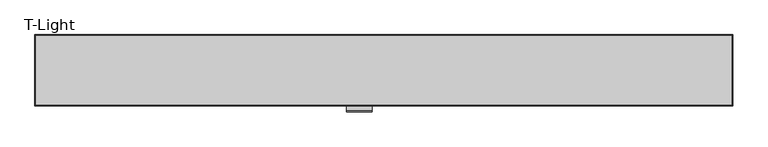
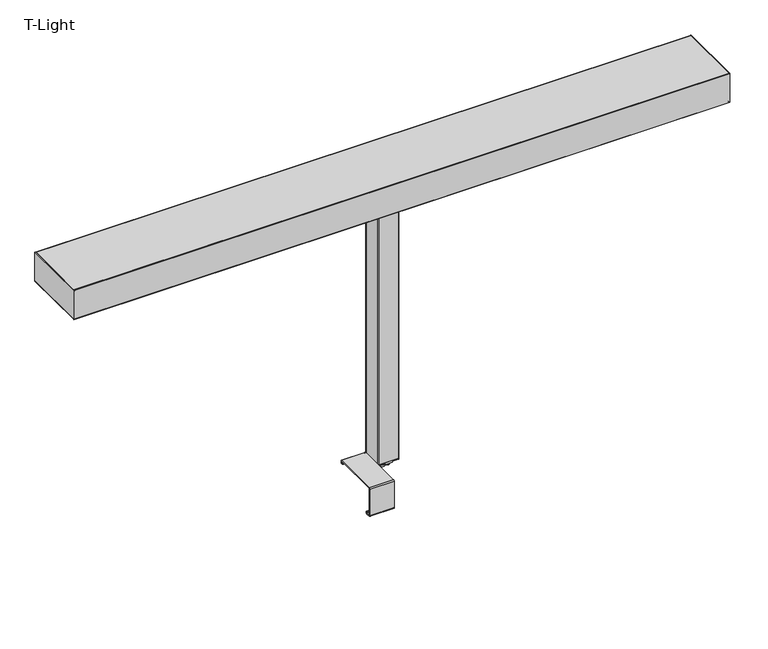
"""IFC4 building model written with IfcOpenShell, lengths in millimetres: furniture geometry, T-Light."""

from ifc_helpers import new_model, si_unit, frame, origin, place, context, project, spatial, polyline, circle_curve, ellipse_curve, outline, extrude, source, transform, mapped, element, save
from ifc_brep_helpers import plane_surface, cylinder_surface, revolved_surface, advanced_brep


def t_light_89df9414(model_context):
    return source(origin(), model_context, "Body", "SolidModel", [
        advanced_brep(
        [(-20.218, 22.25, 1259.9729473), (-22.25, 20.218, 1259.9729473), (-22.25, -20.218, 1259.9729473), (-20.218, -22.25, 1259.9729473), (20.2185412, -22.25, 1259.9729473), (22.25, -20.2185412, 1259.9729473), (22.25, 20.218, 1259.9729473), (20.218, 22.25, 1259.9729473), (-20.218, 22.25, 675.6400097), (20.218, 22.25, 675.6400097), (22.25, 20.218, 675.6400097), (22.25, -20.2185412, 675.6400097), (20.2185412, -22.25, 675.6400097), (-20.218, -22.25, 675.6400097), (-22.25, -20.218, 675.6400097), (-22.25, 20.218, 675.6400097)],
        [
            (0, 1, circle_curve(frame((-20.218, 20.218, 1259.9729473), z_axis=(0.0, 0.0, 1.0), x_axis=(-1.0, 0.0, 0.0)), 2.032)),
            (1, 2),
            (2, 3, circle_curve(frame((-20.218, -20.218, 1259.9729473), z_axis=(0.0, 0.0, 1.0), x_axis=(-1.0, 0.0, 0.0)), 2.032)),
            (3, 4),
            (4, 5, circle_curve(frame((20.2185412, -20.2185412, 1259.9729473), z_axis=(0.0, 0.0, 1.0), x_axis=(-1.0, 0.0, 0.0)), 2.0314588)),
            (5, 6),
            (6, 7, circle_curve(frame((20.218, 20.218, 1259.9729473), z_axis=(0.0, 0.0, 1.0), x_axis=(-1.0, 0.0, 0.0)), 2.032)),
            (7, 0),
            (8, 9),
            (9, 10, circle_curve(frame((20.218, 20.218, 675.6400097), z_axis=(0.0, 0.0, -1.0), x_axis=(-1.0, 0.0, 0.0)), 2.032)),
            (10, 11),
            (11, 12, circle_curve(frame((20.2185412, -20.2185412, 675.6400097), z_axis=(0.0, 0.0, -1.0), x_axis=(-1.0, 0.0, 0.0)), 2.0314588)),
            (12, 13),
            (13, 14, circle_curve(frame((-20.218, -20.218, 675.6400097), z_axis=(0.0, 0.0, -1.0), x_axis=(-1.0, 0.0, 0.0)), 2.032)),
            (14, 15),
            (15, 8, circle_curve(frame((-20.218, 20.218, 675.6400097), z_axis=(0.0, 0.0, -1.0), x_axis=(-1.0, 0.0, 0.0)), 2.032)),
            (0, 8),
            (15, 1),
            (14, 2),
            (13, 3),
            (12, 4),
            (11, 5),
            (10, 6),
            (9, 7),
        ],
        [
            plane_surface(frame((-22.25, 20.218, 1259.9729473), z_axis=(0.0, 0.0, 1.0), x_axis=(0.0, -1.0, 0.0))),
            plane_surface(frame((-22.25, 20.218, 675.6400097), z_axis=(0.0, 0.0, -1.0), x_axis=(0.0, 1.0, 0.0))),
            cylinder_surface(frame((-20.218, 20.218, 675.6400097), z_axis=(0.0, 0.0, 1.0), x_axis=(-1.0, 0.0, 0.0)), 2.032),
            plane_surface(frame((-22.25, 20.218, 1259.9729473), z_axis=(-1.0, 0.0, 0.0), x_axis=(0.0, 0.0, -1.0))),
            cylinder_surface(frame((-20.218, -20.218, 675.6400097), z_axis=(0.0, 0.0, 1.0), x_axis=(-1.0, 0.0, 0.0)), 2.032),
            plane_surface(frame((-20.218, -22.25, 1259.9729473), z_axis=(0.0, -1.0, 0.0), x_axis=(0.0, 0.0, -1.0))),
            cylinder_surface(frame((20.2185412, -20.2185412, 675.6400097), z_axis=(0.0, 0.0, 1.0), x_axis=(-1.0, 0.0, 0.0)), 2.0314588),
            plane_surface(frame((22.25, -20.2185412, 1259.9729473), z_axis=(1.0, 0.0, 0.0), x_axis=(0.0, 0.0, -1.0))),
            cylinder_surface(frame((20.218, 20.218, 675.6400097), z_axis=(0.0, 0.0, 1.0), x_axis=(-1.0, 0.0, 0.0)), 2.032),
            plane_surface(frame((20.218, 22.25, 1259.9729473), z_axis=(0.0, 1.0, 0.0), x_axis=(0.0, 0.0, -1.0))),
        ],
        [
            (0, [[1, 2, 3, 4, 5, 6, 7, 8]]),
            (1, [[9, 10, 11, 12, 13, 14, 15, 16]]),
            (2, [[-1, 17, -16, 18]]),
            (3, [[-2, -18, -15, 19]]),
            (4, [[-3, -19, -14, 20]]),
            (5, [[-4, -20, -13, 21]]),
            (6, [[-5, -21, -12, 22]]),
            (7, [[-6, -22, -11, 23]]),
            (8, [[-7, -23, -10, 24]]),
            (9, [[-8, -24, -9, -17]]),
        ],
    ),
        advanced_brep(
        [(-73.5503979, -81.7499974, 675.7759117), (-73.5503979, -79.6049339, 677.9209751), (-73.5503979, 20.0143868, 677.9209751), (-73.5503979, 22.25, 675.6853619), (-73.5503979, 22.25, 673.3606011), (-73.5503979, 20.710383, 671.8209841), (-73.5503979, 16.9625859, 671.8209841), (-73.5503979, 16.9556727, 673.3210175), (-73.5503979, 20.7500007, 673.3559921), (-73.5503979, 20.7500007, 675.5320436), (-73.5503979, 19.8610503, 676.420994), (-73.5503979, -79.4994453, 676.420994), (-73.5503979, -80.2499981, 675.6704412), (-73.5503979, -80.2499981, 617.2034968), (-73.5503979, -79.4675238, 616.4210226), (-73.5503979, -71.3051217, 616.4210226), (-73.5503979, -70.4999982, 617.2261461), (-73.5503979, -70.4999982, 619.1856678), (-73.5503979, -68.9999989, 619.1856678), (-73.5503979, -68.9999989, 617.2037031), (-73.5503979, -71.2827332, 614.9209688), (-73.5503979, -79.4486345, 614.9209688), (-73.5503979, -81.7499974, 617.2223316), (-22.7503987, -81.7499974, 675.7759117), (-22.7503987, -81.7499974, 617.2223316), (-22.7503987, -79.4486345, 614.9209688), (-22.7503987, -71.2827332, 614.9209688), (-22.7503987, -68.9999989, 617.2037031), (-22.7503987, -68.9999989, 619.1856678), (-22.7503987, -70.4999982, 619.1856678), (-22.7503987, -70.4999982, 617.2261461), (-22.7503987, -71.3051217, 616.4210226), (-22.7503987, -79.4675238, 616.4210226), (-22.7503987, -80.2499981, 617.2034968), (-22.7503987, -80.2499981, 675.6704412), (-22.7503987, -79.4994453, 676.420994), (-22.7503987, 19.8610503, 676.420994), (-22.7503987, 20.7500007, 675.5320436), (-22.7503987, 20.7500007, 673.3559921), (-22.7503987, 16.9556727, 673.3210175), (-22.7503987, 16.9625859, 671.8209841), (-22.7503987, 20.710383, 671.8209841), (-22.7503987, 22.25, 673.3606011), (-22.7503987, 22.25, 675.6853619), (-22.7503987, 20.0143868, 677.9209751), (-22.7503987, -79.6049339, 677.9209751)],
        [
            (0, 1, circle_curve(frame((-73.5503979, -79.6049339, 675.7759117), z_axis=(-1.0, 0.0, 0.0), x_axis=(0.0, -1.0, 0.0)), 2.1450634)),
            (1, 2),
            (2, 3, circle_curve(frame((-73.5503979, 20.0143868, 675.6853619), z_axis=(-1.0, 0.0, 0.0), x_axis=(0.0, -1.0, 0.0)), 2.2356132)),
            (3, 4),
            (4, 5, circle_curve(frame((-73.5503979, 20.710383, 673.3606011), z_axis=(-1.0, 0.0, 0.0), x_axis=(0.0, -1.0, 0.0)), 1.539617)),
            (5, 6),
            (6, 7, circle_curve(frame((-73.5503979, 16.9625859, 672.5710167), z_axis=(-1.0, 0.0, 0.0), x_axis=(0.0, -1.0, 0.0)), 0.7500326)),
            (7, 8),
            (8, 9),
            (9, 10, circle_curve(frame((-73.5503979, 19.8610503, 675.5320436), z_axis=(1.0, 0.0, 0.0), x_axis=(0.0, -1.0, 0.0)), 0.8889504)),
            (10, 11),
            (11, 12, circle_curve(frame((-73.5503979, -79.4994453, 675.6704412), z_axis=(1.0, 0.0, 0.0), x_axis=(0.0, -1.0, 0.0)), 0.7505528)),
            (12, 13),
            (13, 14, circle_curve(frame((-73.5503979, -79.4675238, 617.2034968), z_axis=(1.0, 0.0, 0.0), x_axis=(0.0, -1.0, 0.0)), 0.7824742)),
            (14, 15),
            (15, 16, circle_curve(frame((-73.5503979, -71.3051217, 617.2261461), z_axis=(1.0, 0.0, 0.0), x_axis=(0.0, -1.0, 0.0)), 0.8051235)),
            (16, 17),
            (17, 18, circle_curve(frame((-73.5503979, -69.7499985, 619.1856678), z_axis=(-1.0, 0.0, 0.0), x_axis=(0.0, -1.0, 0.0)), 0.7499996)),
            (18, 19),
            (19, 20, circle_curve(frame((-73.5503979, -71.2827332, 617.2037031), z_axis=(-1.0, 0.0, 0.0), x_axis=(0.0, -1.0, 0.0)), 2.2827343)),
            (20, 21),
            (21, 22, circle_curve(frame((-73.5503979, -79.4486345, 617.2223316), z_axis=(-1.0, 0.0, 0.0), x_axis=(0.0, -1.0, 0.0)), 2.3013628)),
            (22, 0),
            (23, 24),
            (24, 25, circle_curve(frame((-22.7503987, -79.4486345, 617.2223316), z_axis=(1.0, 0.0, 0.0), x_axis=(0.0, -1.0, 0.0)), 2.3013628)),
            (25, 26),
            (26, 27, circle_curve(frame((-22.7503987, -71.2827332, 617.2037031), z_axis=(1.0, 0.0, 0.0), x_axis=(0.0, -1.0, 0.0)), 2.2827343)),
            (27, 28),
            (28, 29, circle_curve(frame((-22.7503987, -69.7499985, 619.1856678), z_axis=(1.0, 0.0, 0.0), x_axis=(0.0, -1.0, 0.0)), 0.7499996)),
            (29, 30),
            (30, 31, circle_curve(frame((-22.7503987, -71.3051217, 617.2261461), z_axis=(-1.0, 0.0, 0.0), x_axis=(0.0, -1.0, 0.0)), 0.8051235)),
            (31, 32),
            (32, 33, circle_curve(frame((-22.7503987, -79.4675238, 617.2034968), z_axis=(-1.0, 0.0, 0.0), x_axis=(0.0, -1.0, 0.0)), 0.7824742)),
            (33, 34),
            (34, 35, circle_curve(frame((-22.7503987, -79.4994453, 675.6704412), z_axis=(-1.0, 0.0, 0.0), x_axis=(0.0, -1.0, 0.0)), 0.7505528)),
            (35, 36),
            (36, 37, circle_curve(frame((-22.7503987, 19.8610503, 675.5320436), z_axis=(-1.0, 0.0, 0.0), x_axis=(0.0, -1.0, 0.0)), 0.8889504)),
            (37, 38),
            (38, 39),
            (39, 40, circle_curve(frame((-22.7503987, 16.9625859, 672.5710167), z_axis=(1.0, 0.0, 0.0), x_axis=(0.0, -1.0, 0.0)), 0.7500326)),
            (40, 41),
            (41, 42, circle_curve(frame((-22.7503987, 20.710383, 673.3606011), z_axis=(1.0, 0.0, 0.0), x_axis=(0.0, -1.0, 0.0)), 1.539617)),
            (42, 43),
            (43, 44, circle_curve(frame((-22.7503987, 20.0143868, 675.6853619), z_axis=(1.0, 0.0, 0.0), x_axis=(0.0, -1.0, 0.0)), 2.2356132)),
            (44, 45),
            (45, 23, circle_curve(frame((-22.7503987, -79.6049339, 675.7759117), z_axis=(1.0, 0.0, 0.0), x_axis=(0.0, -1.0, 0.0)), 2.1450634)),
            (0, 23),
            (45, 1),
            (44, 2),
            (43, 3),
            (42, 4),
            (41, 5),
            (40, 6),
            (39, 7),
            (38, 8),
            (37, 9),
            (36, 10),
            (35, 11),
            (34, 12),
            (33, 13),
            (32, 14),
            (31, 15),
            (30, 16),
            (29, 17),
            (28, 18),
            (27, 19),
            (26, 20),
            (25, 21),
            (24, 22),
        ],
        [
            plane_surface(frame((-73.5503979, -81.7499974, 675.7759117), z_axis=(-1.0, 0.0, 0.0), x_axis=(0.0, 0.0, 1.0))),
            plane_surface(frame((-22.7503987, -81.7499974, 675.7759117), z_axis=(1.0, 0.0, 0.0), x_axis=(0.0, 0.0, -1.0))),
            cylinder_surface(frame((-22.7503987, -79.6049339, 675.7759117), z_axis=(-1.0, 0.0, 0.0), x_axis=(0.0, -1.0, 0.0)), 2.1450634),
            plane_surface(frame((-73.5503979, -79.6049339, 677.9209751), z_axis=(0.0, 0.0, 1.0), x_axis=(1.0, 0.0, 0.0))),
            cylinder_surface(frame((-22.7503987, 20.0143868, 675.6853619), z_axis=(-1.0, 0.0, 0.0), x_axis=(0.0, -1.0, 0.0)), 2.2356132),
            plane_surface(frame((-73.5503979, 22.25, 675.6853619), z_axis=(0.0, 1.0, 0.0), x_axis=(1.0, 0.0, 0.0))),
            cylinder_surface(frame((-22.7503987, 20.710383, 673.3606011), z_axis=(-1.0, 0.0, 0.0), x_axis=(0.0, -1.0, 0.0)), 1.539617),
            plane_surface(frame((-73.5503979, 20.710383, 671.8209841), z_axis=(0.0, 0.0, -1.0), x_axis=(1.0, 0.0, 0.0))),
            cylinder_surface(frame((-22.7503987, 16.9625859, 672.5710167), z_axis=(-1.0, 0.0, 0.0), x_axis=(0.0, -1.0, 0.0)), 0.7500326),
            plane_surface(frame((-73.5503979, 16.9556727, 673.3210175), z_axis=(0.0, -0.009217220031081209, 0.9999575205251965), x_axis=(1.0, 0.0, 0.0))),
            plane_surface(frame((-73.5503979, 20.7500007, 673.3559921), z_axis=(0.0, -1.0, 0.0), x_axis=(1.0, 0.0, 0.0))),
            revolved_surface(polyline([(-22.7503987, 18.9720999, 675.5320436), (-73.5503979, 18.9720999, 675.5320436)]), (-22.7503987, 19.8610503, 675.5320436), (1.0, 0.0, 0.0)),
            plane_surface(frame((-73.5503979, 19.8610503, 676.420994), z_axis=(0.0, 0.0, -1.0), x_axis=(1.0, 0.0, 0.0))),
            revolved_surface(polyline([(-22.7503987, -80.2499981, 675.6704412), (-73.5503979, -80.2499981, 675.6704412)]), (-22.7503987, -79.4994453, 675.6704412), (1.0, 0.0, 0.0)),
            plane_surface(frame((-73.5503979, -80.2499981, 675.6704412), z_axis=(0.0, 1.0, 0.0), x_axis=(1.0, 0.0, 0.0))),
            revolved_surface(polyline([(-22.7503987, -80.24999799999999, 617.2034968), (-73.5503979, -80.24999799999999, 617.2034968)]), (-22.7503987, -79.4675238, 617.2034968), (1.0, 0.0, 0.0)),
            plane_surface(frame((-73.5503979, -79.4675238, 616.4210226), z_axis=(0.0, 0.0, 1.0), x_axis=(1.0, 0.0, 0.0))),
            revolved_surface(polyline([(-22.7503987, -72.1102452, 617.2261461), (-73.5503979, -72.1102452, 617.2261461)]), (-22.7503987, -71.3051217, 617.2261461), (1.0, 0.0, 0.0)),
            plane_surface(frame((-73.5503979, -70.4999982, 617.2261461), z_axis=(0.0, -1.0, 0.0), x_axis=(1.0, 0.0, 0.0))),
            cylinder_surface(frame((-22.7503987, -69.7499985, 619.1856678), z_axis=(-1.0, 0.0, 0.0), x_axis=(0.0, -1.0, 0.0)), 0.7499996),
            plane_surface(frame((-73.5503979, -68.9999989, 619.1856678), z_axis=(0.0, 1.0, 0.0), x_axis=(1.0, 0.0, 0.0))),
            cylinder_surface(frame((-22.7503987, -71.2827332, 617.2037031), z_axis=(-1.0, 0.0, 0.0), x_axis=(0.0, -1.0, 0.0)), 2.2827343),
            plane_surface(frame((-73.5503979, -71.2827332, 614.9209688), z_axis=(0.0, 0.0, -1.0), x_axis=(1.0, 0.0, 0.0))),
            cylinder_surface(frame((-22.7503987, -79.4486345, 617.2223316), z_axis=(-1.0, 0.0, 0.0), x_axis=(0.0, -1.0, 0.0)), 2.3013628),
            plane_surface(frame((-73.5503979, -81.7499974, 617.2223316), z_axis=(0.0, -1.0, 0.0), x_axis=(1.0, 0.0, 0.0))),
        ],
        [
            (0, [[1, 2, 3, 4, 5, 6, 7, 8, 9, 10, 11, 12, 13, 14, 15, 16, 17, 18, 19, 20, 21, 22, 23]]),
            (1, [[24, 25, 26, 27, 28, 29, 30, 31, 32, 33, 34, 35, 36, 37, 38, 39, 40, 41, 42, 43, 44, 45, 46]]),
            (2, [[-1, 47, -46, 48]]),
            (3, [[-2, -48, -45, 49]]),
            (4, [[-3, -49, -44, 50]]),
            (5, [[-4, -50, -43, 51]]),
            (6, [[-5, -51, -42, 52]]),
            (7, [[-6, -52, -41, 53]]),
            (8, [[-7, -53, -40, 54]]),
            (9, [[-8, -54, -39, 55]]),
            (10, [[-9, -55, -38, 56]]),
            (11, [[-10, -56, -37, 57]]),
            (12, [[-11, -57, -36, 58]]),
            (13, [[-12, -58, -35, 59]]),
            (14, [[-13, -59, -34, 60]]),
            (15, [[-14, -60, -33, 61]]),
            (16, [[-15, -61, -32, 62]]),
            (17, [[-16, -62, -31, 63]]),
            (18, [[-17, -63, -30, 64]]),
            (19, [[-18, -64, -29, 65]]),
            (20, [[-19, -65, -28, 66]]),
            (21, [[-20, -66, -27, 67]]),
            (22, [[-21, -67, -26, 68]]),
            (23, [[-22, -68, -25, 69]]),
            (24, [[-23, -69, -24, -47]]),
        ],
    ),
        advanced_brep(
        [(685.7970932, 69.8500015, 1258.5212703), (685.7970932, 69.8500015, 1321.2733716), (685.7970932, -69.8500015, 1321.2733716), (685.7970932, -69.8500015, 1258.5212703), (684.1979647, -68.250873, 1258.5212703), (684.1979647, 68.250873, 1258.5212703), (684.9975289, 69.0504372, 1322.0729359), (684.9975289, 69.0504372, 1258.5212703), (684.9975289, -69.0504372, 1258.5212703), (684.9975289, -69.0504372, 1322.0729359), (-685.7978926, -69.8500015, 1321.2733716), (-685.7978926, -69.8500015, 1258.5212703), (-684.198764, -68.250873, 1258.5212703), (-684.9983283, -69.0504372, 1258.5212703), (-684.9983283, -69.0504372, 1322.0729359), (-685.7978926, 69.8500015, 1321.2733716), (-685.7978926, 69.8500015, 1258.5212703), (-684.198764, 68.250873, 1258.5212703), (-684.9983283, 69.0504372, 1258.5212703), (-684.9983283, 69.0504372, 1322.0729359)],
        [
            (0, 1),
            (1, 2),
            (2, 3),
            (3, 0),
            (3, 4, ellipse_curve(frame((684.9975289, -69.0504372, 1258.5212703), z_axis=(0.7071067811865475, 0.7071067811865475, 0.0), x_axis=(-0.7071067811865474, 0.7071067811865476, 0.0)), 1.1307546, 0.7995643)),
            (4, 5),
            (5, 0, ellipse_curve(frame((684.9975289, 69.0504372, 1258.5212703), z_axis=(0.7071067811865475, -0.7071067811865475, 0.0), x_axis=(0.7071067811865474, 0.7071067811865476, 0.0)), 1.1307546, 0.7995643)),
            (6, 7),
            (7, 8),
            (8, 9),
            (9, 6),
            (1, 6, ellipse_curve(frame((684.9975289, 69.0504372, 1321.2733716), z_axis=(0.7071067811865475, -0.7071067811865475, 0.0), x_axis=(0.7071067811865474, 0.7071067811865476, 0.0)), 1.1307546, 0.7995643)),
            (9, 2, ellipse_curve(frame((684.9975289, -69.0504372, 1321.2733716), z_axis=(0.7071067811865475, 0.7071067811865475, 0.0), x_axis=(-0.7071067811865474, 0.7071067811865476, 0.0)), 1.1307546, 0.7995643)),
            (2, 10),
            (10, 11),
            (11, 3),
            (11, 12, ellipse_curve(frame((-684.9983283, -69.0504372, 1258.5212703), z_axis=(0.7071067811865475, -0.7071067811865475, 0.0), x_axis=(0.7071067811865476, 0.7071067811865474, 0.0)), 1.1307546, 0.7995643)),
            (12, 4),
            (8, 13),
            (13, 14),
            (14, 9),
            (14, 10, ellipse_curve(frame((-684.9983283, -69.0504372, 1321.2733716), z_axis=(0.7071067811865475, -0.7071067811865475, 0.0), x_axis=(0.7071067811865476, 0.7071067811865474, 0.0)), 1.1307546, 0.7995643)),
            (10, 15),
            (15, 16),
            (16, 11),
            (16, 17, ellipse_curve(frame((-684.9983283, 69.0504372, 1258.5212703), z_axis=(-0.7071067811865475, -0.7071067811865475, 0.0), x_axis=(0.7071067811865474, -0.7071067811865476, 0.0)), 1.1307546, 0.7995643)),
            (17, 12),
            (13, 18),
            (18, 19),
            (19, 14),
            (19, 15, ellipse_curve(frame((-684.9983283, 69.0504372, 1321.2733716), z_axis=(-0.7071067811865475, -0.7071067811865475, 0.0), x_axis=(0.7071067811865474, -0.7071067811865476, 0.0)), 1.1307546, 0.7995643)),
            (0, 16),
            (15, 1),
            (5, 17),
            (7, 18),
            (6, 19),
        ],
        [
            plane_surface(frame((685.7970932, 69.8500015, 1321.2733716), z_axis=(1.0, 0.0, 0.0), x_axis=(0.0, -1.0, 0.0))),
            cylinder_surface(frame((684.9975289, 69.8500015, 1258.5212703), z_axis=(0.0, 1.0, 0.0), x_axis=(1.0, 0.0, 0.0)), 0.7995643),
            plane_surface(frame((684.9975289, 69.0504372, 1258.5212703), z_axis=(-1.0, 0.0, 0.0), x_axis=(0.0, -1.0, 0.0))),
            cylinder_surface(frame((684.9975289, 69.8500015, 1321.2733716), z_axis=(0.0, 1.0, 0.0), x_axis=(1.0, 0.0, 0.0)), 0.7995643),
            plane_surface(frame((685.7970932, -69.8500015, 1321.2733716), z_axis=(0.0, -1.0, 0.0), x_axis=(-1.0, 0.0, 0.0))),
            cylinder_surface(frame((685.7970932, -69.0504372, 1258.5212703), z_axis=(1.0, 0.0, 0.0), x_axis=(0.0, -1.0, 0.0)), 0.7995643),
            plane_surface(frame((684.9975289, -69.0504372, 1258.5212703), z_axis=(0.0, 1.0, 0.0), x_axis=(-1.0, 0.0, 0.0))),
            cylinder_surface(frame((685.7970932, -69.0504372, 1321.2733716), z_axis=(1.0, 0.0, 0.0), x_axis=(0.0, -1.0, 0.0)), 0.7995643),
            plane_surface(frame((-685.7978926, -69.8500015, 1321.2733716), z_axis=(-1.0, 0.0, 0.0), x_axis=(0.0, 1.0, 0.0))),
            cylinder_surface(frame((-684.9983283, -69.8500015, 1258.5212703), z_axis=(0.0, -1.0, 0.0), x_axis=(-1.0, 0.0, 0.0)), 0.7995643),
            plane_surface(frame((-684.9983283, -69.0504372, 1258.5212703), z_axis=(1.0, 0.0, 0.0), x_axis=(0.0, 1.0, 0.0))),
            cylinder_surface(frame((-684.9983283, -69.8500015, 1321.2733716), z_axis=(0.0, -1.0, 0.0), x_axis=(-1.0, 0.0, 0.0)), 0.7995643),
            plane_surface(frame((-685.7978926, 69.8500015, 1321.2733716), z_axis=(0.0, 1.0, 0.0), x_axis=(1.0, 0.0, 0.0))),
            cylinder_surface(frame((-685.7978926, 69.0504372, 1258.5212703), z_axis=(-1.0, 0.0, 0.0), x_axis=(0.0, 1.0, 0.0)), 0.7995643),
            plane_surface(frame((-684.198764, 68.250873, 1258.5212703), z_axis=(0.0, 0.0, 1.0), x_axis=(1.0, 0.0, 0.0))),
            plane_surface(frame((-684.9983283, 69.0504372, 1258.5212703), z_axis=(0.0, -1.0, 0.0), x_axis=(1.0, 0.0, 0.0))),
            cylinder_surface(frame((-685.7978926, 69.0504372, 1321.2733716), z_axis=(-1.0, 0.0, 0.0), x_axis=(0.0, 1.0, 0.0)), 0.7995643),
        ],
        [
            (0, [[1, 2, 3, 4]]),
            (1, [[-4, 5, 6, 7]]),
            (2, [[8, 9, 10, 11]]),
            (3, [[-2, 12, -11, 13]]),
            (4, [[-3, 14, 15, 16]]),
            (5, [[-5, -16, 17, 18]]),
            (6, [[-10, 19, 20, 21]]),
            (7, [[-13, -21, 22, -14]]),
            (8, [[-15, 23, 24, 25]]),
            (9, [[-17, -25, 26, 27]]),
            (10, [[-20, 28, 29, 30]]),
            (11, [[-22, -30, 31, -23]]),
            (12, [[-1, 32, -24, 33]]),
            (13, [[-7, 34, -26, -32]]),
            (14, [[-9, 35, -28, -19], [-6, -18, -27, -34]]),
            (15, [[-8, 36, -29, -35]]),
            (16, [[-12, -33, -31, -36]]),
        ],
    ),
        advanced_brep(
        [(4.4450003, 0.0, 653.8975868), (-4.4450003, 0.0, 653.8975868), (-20.0025014, 22.5424989, 675.6400097), (-22.5424989, 20.0025014, 675.6400097), (-22.5424989, -20.0025014, 675.6400097), (-20.0025014, -22.5424989, 675.6400097), (20.0025014, -22.5424989, 675.6400097), (22.5424989, -20.0025014, 675.6400097), (22.5424989, 20.0025014, 675.6400097), (20.0025014, 22.5424989, 675.6400097), (-4.4450003, 0.0, 662.0510136), (4.4450003, 0.0, 662.0510136), (4.4450003, 0.0, 668.4101322), (-4.4450003, 0.0, 668.4101322), (-4.4450003, 0.0, 671.5760136), (4.4450003, 0.0, 671.5760136), (-7.2389999, -5.3209582, 662.0510136), (-7.2389999, 12.5652668, 662.0510136), (-4.9207841, 13.9036893, 662.0510136), (5.6679804, 7.7902626, 662.0510136), (7.2389999, 5.0691769, 662.0510136), (7.2389999, -12.53157, 662.0510136), (4.8916018, -13.8868409, 662.0510136), (-5.8860295, -7.6643719, 662.0510136), (-7.2389999, -5.3209582, 668.4101322), (-5.8860295, -7.6643719, 668.4101322), (4.8916018, -13.8868409, 668.4101322), (7.2389999, -12.53157, 668.4101322), (7.2389999, 5.0691769, 668.4101322), (5.6679804, 7.7902626, 668.4101322), (-4.9207841, 13.9036893, 668.4101322), (-7.2389999, 12.5652668, 668.4101322), (7.3660004, 22.5424989, 671.5760136), (7.3660004, -22.5424989, 671.5760136), (-7.3660004, -22.5424989, 671.5760136), (-7.3660004, 22.5424989, 671.5760136), (-7.3660004, 22.5424989, 673.6080116), (-20.0025014, 22.5424989, 673.6080116), (20.0025014, 22.5424989, 673.6080116), (7.3660004, 22.5424989, 673.6080116), (-7.3660004, -22.5424989, 673.6080116), (7.3660004, -22.5424989, 673.6080116), (20.0025014, -22.5424989, 673.6080116), (-20.0025014, -22.5424989, 673.6080116), (22.5424989, 20.0025014, 673.6080116), (22.5424989, -20.0025014, 673.6080116), (-22.5424989, -20.0025014, 673.6080116), (-22.5424989, 20.0025014, 673.6080116)],
        [
            (0, 1, circle_curve(frame((0.0, 0.0, 653.8975868), z_axis=(0.0, 0.0, -1.0), x_axis=(-1.0, 0.0, 0.0)), 4.4450003)),
            (1, 0, circle_curve(frame((0.0, 0.0, 653.8975868), z_axis=(0.0, 0.0, -1.0), x_axis=(-1.0, 0.0, 0.0)), 4.4450003)),
            (2, 3, circle_curve(frame((-20.0025014, 20.0025014, 675.6400097), z_axis=(0.0, 0.0, 1.0), x_axis=(-1.0, 0.0, 0.0)), 2.5399976)),
            (3, 4),
            (4, 5, circle_curve(frame((-20.0025014, -20.0025014, 675.6400097), z_axis=(0.0, 0.0, 1.0), x_axis=(-1.0, 0.0, 0.0)), 2.5399976)),
            (5, 6),
            (6, 7, circle_curve(frame((20.0025014, -20.0025014, 675.6400097), z_axis=(0.0, 0.0, 1.0), x_axis=(-1.0, 0.0, 0.0)), 2.5399976)),
            (7, 8),
            (8, 9, circle_curve(frame((20.0025014, 20.0025014, 675.6400097), z_axis=(0.0, 0.0, 1.0), x_axis=(-1.0, 0.0, 0.0)), 2.5399976)),
            (9, 2),
            (1, 10),
            (10, 11, circle_curve(frame((0.0, 0.0, 662.0510136), z_axis=(0.0, 0.0, -1.0), x_axis=(-1.0, 0.0, 0.0)), 4.4450003)),
            (11, 0),
            (12, 13, circle_curve(frame((0.0, 0.0, 668.4101322), z_axis=(0.0, 0.0, 1.0), x_axis=(-1.0, 0.0, 0.0)), 4.4450003)),
            (13, 14),
            (14, 15, circle_curve(frame((0.0, 0.0, 671.5760136), z_axis=(0.0, 0.0, -1.0), x_axis=(-1.0, 0.0, 0.0)), 4.4450003)),
            (15, 12),
            (11, 10, circle_curve(frame((0.0, 0.0, 662.0510136), z_axis=(0.0, 0.0, -1.0), x_axis=(-1.0, 0.0, 0.0)), 4.4450003)),
            (13, 12, circle_curve(frame((0.0, 0.0, 668.4101322), z_axis=(0.0, 0.0, 1.0), x_axis=(-1.0, 0.0, 0.0)), 4.4450003)),
            (15, 14, circle_curve(frame((0.0, 0.0, 671.5760136), z_axis=(0.0, 0.0, -1.0), x_axis=(-1.0, 0.0, 0.0)), 4.4450003)),
            (16, 17),
            (17, 18, circle_curve(frame((-5.6935227, 12.5652668, 662.0510136), z_axis=(0.0, 0.0, -1.0), x_axis=(-1.0, 0.0, 0.0)), 1.5454772)),
            (18, 19),
            (19, 20, circle_curve(frame((4.0969606, 5.0691769, 662.0510136), z_axis=(0.0, 0.0, -1.0), x_axis=(-1.0, 0.0, 0.0)), 3.1420393)),
            (20, 21),
            (21, 22, circle_curve(frame((5.6740679, -12.53157, 662.0510136), z_axis=(0.0, 0.0, -1.0), x_axis=(-1.0, 0.0, 0.0)), 1.564932)),
            (22, 23),
            (23, 16, circle_curve(frame((-4.5330588, -5.3209582, 662.0510136), z_axis=(0.0, 0.0, -1.0), x_axis=(-1.0, 0.0, 0.0)), 2.7059411)),
            (24, 25, circle_curve(frame((-4.5330588, -5.3209582, 668.4101322), z_axis=(0.0, 0.0, 1.0), x_axis=(-1.0, 0.0, 0.0)), 2.7059411)),
            (25, 26),
            (26, 27, circle_curve(frame((5.6740679, -12.53157, 668.4101322), z_axis=(0.0, 0.0, 1.0), x_axis=(-1.0, 0.0, 0.0)), 1.564932)),
            (27, 28),
            (28, 29, circle_curve(frame((4.0969606, 5.0691769, 668.4101322), z_axis=(0.0, 0.0, 1.0), x_axis=(-1.0, 0.0, 0.0)), 3.1420393)),
            (29, 30),
            (30, 31, circle_curve(frame((-5.6935227, 12.5652668, 668.4101322), z_axis=(0.0, 0.0, 1.0), x_axis=(-1.0, 0.0, 0.0)), 1.5454772)),
            (31, 24),
            (23, 25),
            (24, 16),
            (22, 26),
            (21, 27),
            (20, 28),
            (19, 29),
            (18, 30),
            (17, 31),
            (32, 33),
            (33, 34),
            (34, 35),
            (35, 32),
            (35, 36),
            (36, 37),
            (37, 2),
            (9, 38),
            (38, 39),
            (39, 32),
            (34, 40),
            (40, 36),
            (33, 41),
            (41, 42),
            (42, 6),
            (5, 43),
            (43, 40),
            (39, 41),
            (38, 44, circle_curve(frame((20.0025014, 20.0025014, 673.6080116), z_axis=(0.0, 0.0, -1.0), x_axis=(-1.0, 0.0, 0.0)), 2.5399976)),
            (44, 45),
            (45, 42, circle_curve(frame((20.0025014, -20.0025014, 673.6080116), z_axis=(0.0, 0.0, -1.0), x_axis=(-1.0, 0.0, 0.0)), 2.5399976)),
            (43, 46, circle_curve(frame((-20.0025014, -20.0025014, 673.6080116), z_axis=(0.0, 0.0, -1.0), x_axis=(-1.0, 0.0, 0.0)), 2.5399976)),
            (46, 47),
            (47, 37, circle_curve(frame((-20.0025014, 20.0025014, 673.6080116), z_axis=(0.0, 0.0, -1.0), x_axis=(-1.0, 0.0, 0.0)), 2.5399976)),
            (47, 3),
            (46, 4),
            (45, 7),
            (44, 8),
        ],
        [
            plane_surface(frame((-4.4450003, 0.0, 653.8975868), z_axis=(0.0, 0.0, -1.0), x_axis=(0.0, 1.0, 0.0))),
            plane_surface(frame((-4.4450003, 0.0, 675.6400097), z_axis=(0.0, 0.0, 1.0), x_axis=(0.0, -1.0, 0.0))),
            cylinder_surface(frame((0.0, 0.0, 653.8975868), z_axis=(0.0, 0.0, 1.0), x_axis=(-1.0, 0.0, 0.0)), 4.4450003),
            plane_surface(frame((-7.2389999, -5.3209582, 662.0510136), z_axis=(0.0, 0.0, -1.0), x_axis=(0.0, 1.0, 0.0))),
            plane_surface(frame((-7.2389999, -5.3209582, 668.4101322), z_axis=(0.0, 0.0, 1.0), x_axis=(0.0, -1.0, 0.0))),
            cylinder_surface(frame((-4.5330588, -5.3209582, 662.0510136), z_axis=(0.0, 0.0, 1.0), x_axis=(-1.0, 0.0, 0.0)), 2.7059411),
            plane_surface(frame((-5.8860295, -7.6643719, 668.4101322), z_axis=(-0.5000000400658068, -0.8660253806524332, 0.0), x_axis=(0.0, 0.0, -1.0))),
            cylinder_surface(frame((5.6740679, -12.53157, 662.0510136), z_axis=(0.0, 0.0, 1.0), x_axis=(-1.0, 0.0, 0.0)), 1.564932),
            plane_surface(frame((7.2389999, -12.53157, 668.4101322), z_axis=(1.0, 0.0, 0.0), x_axis=(0.0, 0.0, -1.0))),
            cylinder_surface(frame((4.0969606, 5.0691769, 662.0510136), z_axis=(0.0, 0.0, 1.0), x_axis=(-1.0, 0.0, 0.0)), 3.1420393),
            plane_surface(frame((5.6679804, 7.7902626, 668.4101322), z_axis=(0.5000000400657871, 0.8660253806524445, 0.0), x_axis=(0.0, 0.0, -1.0))),
            cylinder_surface(frame((-5.6935227, 12.5652668, 662.0510136), z_axis=(0.0, 0.0, 1.0), x_axis=(-1.0, 0.0, 0.0)), 1.5454772),
            plane_surface(frame((-7.2389999, 12.5652668, 668.4101322), z_axis=(-1.0, 0.0, 0.0), x_axis=(0.0, 0.0, -1.0))),
            plane_surface(frame((-7.3660004, 22.5424989, 671.5760136), z_axis=(0.0, 0.0, -1.0), x_axis=(1.0, 0.0, 0.0))),
            plane_surface(frame((7.3660004, 22.5424989, 673.6080116), z_axis=(0.0, 1.0, 0.0), x_axis=(0.0, 0.0, -1.0))),
            plane_surface(frame((-7.3660004, 22.5424989, 673.6080116), z_axis=(-1.0, 0.0, 0.0), x_axis=(0.0, 0.0, -1.0))),
            plane_surface(frame((-7.3660004, -22.5424989, 673.6080116), z_axis=(0.0, -1.0, 0.0), x_axis=(0.0, 0.0, -1.0))),
            plane_surface(frame((7.3660004, -22.5424989, 673.6080116), z_axis=(1.0, 0.0, 0.0), x_axis=(0.0, 0.0, -1.0))),
            plane_surface(frame((-22.5424989, 20.0025014, 673.6080116), z_axis=(0.0, 0.0, -1.0), x_axis=(0.0, 1.0, 0.0))),
            cylinder_surface(frame((-20.0025014, 20.0025014, 673.6080116), z_axis=(0.0, 0.0, 1.0), x_axis=(-1.0, 0.0, 0.0)), 2.5399976),
            plane_surface(frame((-22.5424989, 20.0025014, 675.6400097), z_axis=(-1.0, 0.0, 0.0), x_axis=(0.0, 0.0, -1.0))),
            cylinder_surface(frame((-20.0025014, -20.0025014, 673.6080116), z_axis=(0.0, 0.0, 1.0), x_axis=(-1.0, 0.0, 0.0)), 2.5399976),
            cylinder_surface(frame((20.0025014, -20.0025014, 673.6080116), z_axis=(0.0, 0.0, 1.0), x_axis=(-1.0, 0.0, 0.0)), 2.5399976),
            plane_surface(frame((22.5424989, -20.0025014, 675.6400097), z_axis=(1.0, 0.0, 0.0), x_axis=(0.0, 0.0, -1.0))),
            cylinder_surface(frame((20.0025014, 20.0025014, 673.6080116), z_axis=(0.0, 0.0, 1.0), x_axis=(-1.0, 0.0, 0.0)), 2.5399976),
        ],
        [
            (0, [[1, 2]]),
            (1, [[3, 4, 5, 6, 7, 8, 9, 10]]),
            (2, [[-2, 11, 12, 13]]),
            (2, [[14, 15, 16, 17]]),
            (2, [[-1, -13, 18, -11]]),
            (2, [[19, -17, 20, -15]]),
            (3, [[21, 22, 23, 24, 25, 26, 27, 28], [-12, -18]]),
            (4, [[29, 30, 31, 32, 33, 34, 35, 36], [-14, -19]]),
            (5, [[-28, 37, -29, 38]]),
            (6, [[-27, 39, -30, -37]]),
            (7, [[-26, 40, -31, -39]]),
            (8, [[-25, 41, -32, -40]]),
            (9, [[-24, 42, -33, -41]]),
            (10, [[-23, 43, -34, -42]]),
            (11, [[-22, 44, -35, -43]]),
            (12, [[-21, -38, -36, -44]]),
            (13, [[45, 46, 47, 48], [-16, -20]]),
            (14, [[-48, 49, 50, 51, -10, 52, 53, 54]]),
            (15, [[-47, 55, 56, -49]]),
            (16, [[-46, 57, 58, 59, -6, 60, 61, -55]]),
            (17, [[-45, -54, 62, -57]]),
            (18, [[63, 64, 65, -58, -62, -53]]),
            (18, [[66, 67, 68, -50, -56, -61]]),
            (19, [[-68, 69, -3, -51]]),
            (20, [[-67, 70, -4, -69]]),
            (21, [[-66, -60, -5, -70]]),
            (22, [[-65, 71, -7, -59]]),
            (23, [[-64, 72, -8, -71]]),
            (24, [[-63, -52, -9, -72]]),
        ],
    ),
        extrude(outline(polyline([(60.7499983, 1260.3230713), (60.7499983, 1261.8229797), (64.7499994, 1261.8229797), (64.7499994, 1265.6230385), (55.3189208, 1265.6230385), (55.3189208, 1267.1229469), (66.2499987, 1267.1229469), (66.2499987, 1260.3230713), (60.7499983, 1260.3230713)])), frame((-681.250423, 0.0, 0.0), z_axis=(1.0, 0.0, 0.0), x_axis=(0.0, 1.0, 0.0)), (0.0, 0.0, 1.0), 1362.5000467),
        extrude(outline(polyline([(-60.7499983, 1260.3230713), (-66.2499987, 1260.3230713), (-66.2499987, 1267.1229469), (-55.3189208, 1267.1229469), (-55.3189208, 1265.6230385), (-64.7499994, 1265.6230385), (-64.7499994, 1261.8229797), (-60.7499983, 1261.8229797), (-60.7499983, 1260.3230713)])), frame((-681.250423, 0.0, 0.0), z_axis=(1.0, 0.0, 0.0), x_axis=(0.0, 1.0, 0.0)), (0.0, 0.0, 1.0), 1362.5000467),
        extrude(outline(polyline([(-678.7504303, 63.9999998), (678.7496309, 63.9999998), (678.7496309, -63.9999998), (-678.7504303, -63.9999998), (-678.7504303, 63.9999998)])), frame((0.0, 0.0, 1261.8229797), z_axis=(0.0, 0.0, 1.0), x_axis=(1.0, 0.0, 0.0)), (0.0, 0.0, 1.0), 2.9999622),
        extrude(outline(polyline([(684.1979647, 68.250873), (684.1979647, -68.250873), (-684.198764, -68.250873), (-684.198764, 68.250873), (684.1979647, 68.250873)])), frame((0.0, 0.0, 1320.9427723), z_axis=(0.0, 0.0, 1.0), x_axis=(1.0, 0.0, 0.0)), (0.0, 0.0, 1.0), 1.1301636),
    ])


if __name__ == "__main__":
    model = new_model("IFC4")
    model_context = context("Model", 3, world=origin())
    ifc_project = project(units=[si_unit("LENGTHUNIT", "METRE", prefix="MILLI")], contexts=[model_context])
    site = spatial("IfcSite", under=ifc_project)
    building = spatial("IfcBuilding", under=site)
    placement = place(None, origin())
    t_light_shape = t_light_89df9414(model_context)
    element("IfcFurniture", 1, ObjectType="T-Light", at=placement, inside=building, context=model_context, shape_type="MappedRepresentation", body=[
        mapped(t_light_shape, transform((0.0, 0.0, 0.0), x_axis=(1.0, 0.0, 0.0), y_axis=(0.0, 1.0, 0.0), z_axis=(0.0, 0.0, 1.0))),
    ])
    save(model, "model.ifc")
